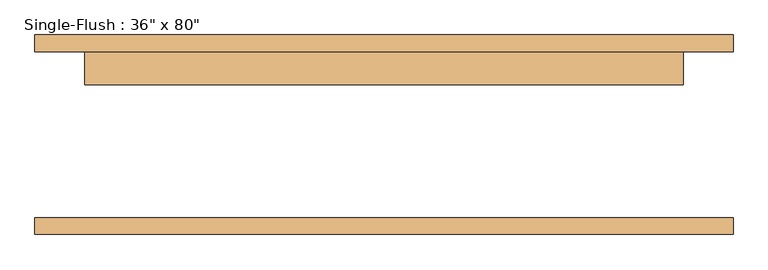
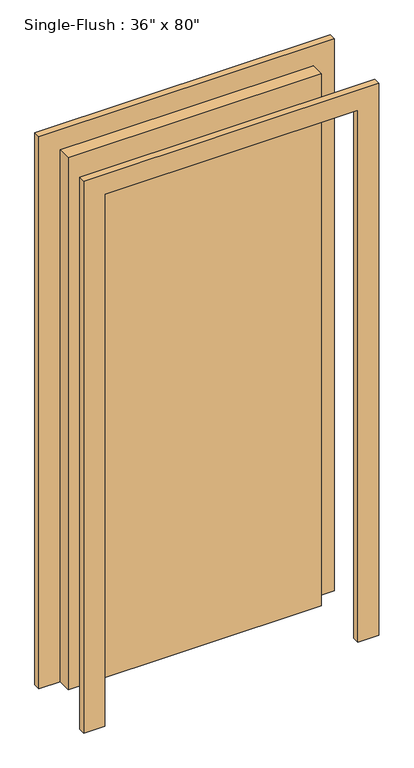
"""IFC4 building model written with IfcOpenShell, lengths in millimetres: door geometry."""

from ifc_helpers import new_model, si_unit, frame, origin, origin_with_axes, place, context, project, spatial, polyline, outline, extrude, source, transform, mapped, element, save


def door_6eebfcc2(model_context):
    return source(origin(), model_context, "Body", "SweptSolid", [
        extrude(outline(polyline([(2108.2, -533.4), (0.0, -533.4), (0.0, -457.2), (2032.0, -457.2), (2032.0, 457.2), (0.0, 457.2), (0.0, 533.4), (2108.2, 533.4), (2108.2, -533.4)])), frame((0.0, 127.0, 0.0), z_axis=(0.0, 1.0, 0.0), x_axis=(0.0, 0.0, 1.0)), (0.0, 0.0, 1.0), 25.4),
        extrude(outline(polyline([(2108.2, 533.4), (2108.2, -533.4), (0.0, -533.4), (0.0, -457.2), (2032.0, -457.2), (2032.0, 457.2), (0.0, 457.2), (0.0, 533.4), (2108.2, 533.4)])), frame((0.0, -152.4, 0.0), z_axis=(0.0, 1.0, 0.0), x_axis=(0.0, 0.0, 1.0)), (0.0, 0.0, 1.0), 25.4),
        extrude(outline(polyline([(457.2, 76.2), (-457.2, 76.2), (-457.2, 127.0), (457.2, 127.0), (457.2, 76.2)])), origin_with_axes(), (0.0, 0.0, 1.0), 2032.0),
    ])


if __name__ == "__main__":
    model = new_model("IFC4")
    model_context = context("Model", 3, world=origin())
    ifc_project = project(units=[si_unit("LENGTHUNIT", "METRE", prefix="MILLI")], contexts=[model_context])
    site = spatial("IfcSite", under=ifc_project)
    building = spatial("IfcBuilding", under=site)
    placement = place(None, origin())
    door_shape = door_6eebfcc2(model_context)
    element("IfcDoor", 1, ObjectType="Single-Flush : 36\" x 80\"", at=placement, inside=building, context=model_context, shape_type="MappedRepresentation", body=[
        mapped(door_shape, transform((0.0, 0.0, 0.0), x_axis=(1.0, 0.0, 0.0), y_axis=(0.0, 1.0, 0.0), z_axis=(0.0, 0.0, 1.0))),
    ])
    save(model, "model.ifc")
